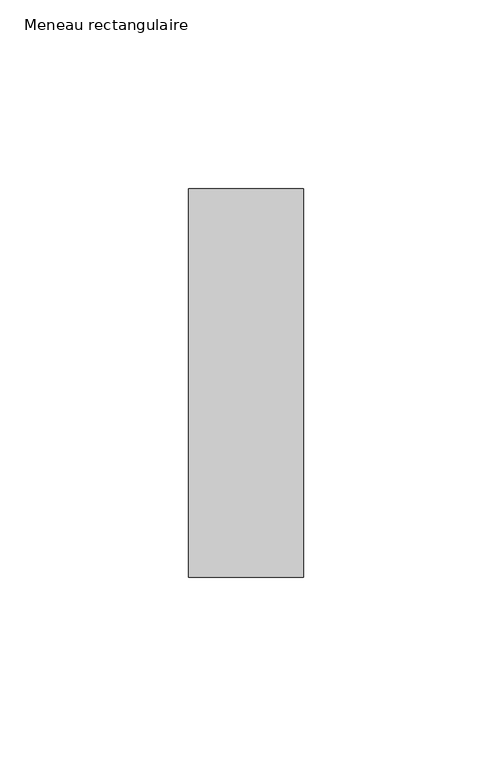
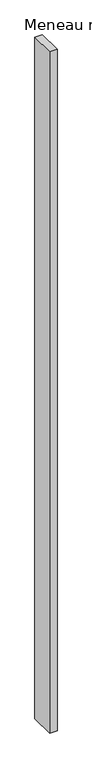
"""IFC4 building model written with IfcOpenShell, lengths in millimetres: member geometry, Meneau rectangulaire."""

from ifc_helpers import new_model, si_unit, frame, origin, place, context, project, spatial, polyline, outline, extrude, source, transform, mapped, element, save


def meneau_rectangulaire_07641e56(model_context):
    return source(origin(), model_context, "Body", "SweptSolid", [
        extrude(outline(polyline([(-15.25, 51.5), (15.25, 51.5), (15.25, -51.5), (-15.25, -51.5), (-15.25, 51.5)])), frame((0.0, 0.0, -2931.0), z_axis=(0.0, 0.0, 1.0), x_axis=(1.0, 0.0, 0.0)), (0.0, 0.0, 1.0), 2931.0),
    ])


if __name__ == "__main__":
    model = new_model("IFC4")
    model_context = context("Model", 3, world=origin())
    ifc_project = project(units=[si_unit("LENGTHUNIT", "METRE", prefix="MILLI")], contexts=[model_context])
    site = spatial("IfcSite", under=ifc_project)
    building = spatial("IfcBuilding", under=site)
    placement = place(None, origin())
    meneau_rectangulaire_shape = meneau_rectangulaire_07641e56(model_context)
    element("IfcMember", 1, ObjectType="Meneau rectangulaire", at=placement, inside=building, context=model_context, shape_type="MappedRepresentation", body=[
        mapped(meneau_rectangulaire_shape, transform((0.0, 0.0, 0.0), x_axis=(1.0, 0.0, 0.0), y_axis=(0.0, 1.0, 0.0), z_axis=(0.0, 0.0, 1.0))),
    ])
    save(model, "model.ifc")
